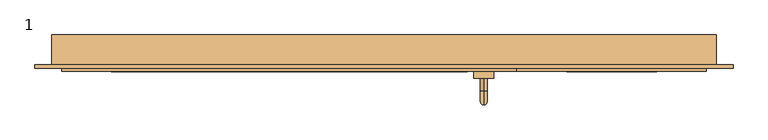
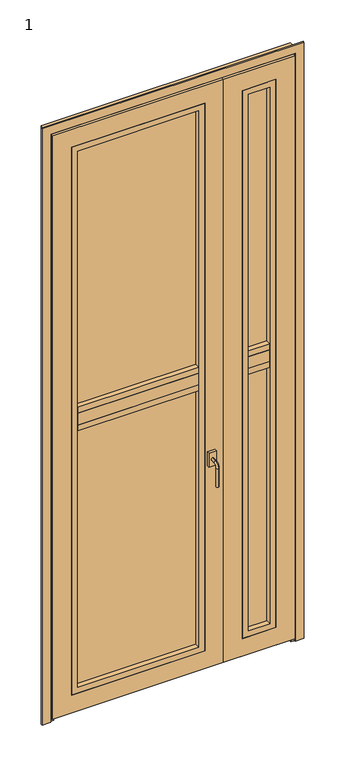
"""IFC4 building model written with IfcOpenShell, lengths in millimetres: door geometry, 1."""

from ifc_helpers import new_model, si_unit, point, frame, origin, place, context, project, spatial, polyline, circle_curve, ellipse_curve, trimmed, outline, extrude, faceted_brep, source, transform, mapped, element, save
from ifc_brep_helpers import plane_surface, cylinder_surface, revolved_surface, advanced_brep


def door_1_bcb2ce5e(model_context):
    return source(origin(), model_context, "Body", "SolidModel", [
        advanced_brep(
        [(-50.0, -169.0, 905.0), (-50.0, -169.0, 895.0), (-50.0, -188.0, 895.0), (-50.0, -188.0, 905.0), (-50.0, -199.0, 884.0), (-50.0, -209.0, 884.0), (-50.0, -209.0, 805.0), (-50.0, -199.0, 805.0), (-65.0, -169.0, 930.0), (-65.0, -169.0, 870.0), (-35.0, -169.0, 870.0), (-35.0, -169.0, 930.0), (-65.0, -159.0, 930.0), (-35.0, -159.0, 930.0), (-35.0, -159.0, 870.0), (-65.0, -159.0, 870.0)],
        [
            (0, 1, circle_curve(frame((-50.0, -169.0, 900.0), z_axis=(0.0, -1.0, 0.0), x_axis=(0.0, 0.0, -1.0)), 5.0)),
            (1, 2),
            (2, 3, circle_curve(frame((-50.0, -188.0, 900.0), z_axis=(0.0, 1.0, 0.0), x_axis=(0.0, 0.0, -1.0)), 5.0)),
            (3, 0),
            (3, 2, circle_curve(frame((-50.0, -188.0, 900.0), z_axis=(0.0, 1.0, 0.0), x_axis=(0.0, 0.0, -1.0)), 5.0)),
            (1, 0, circle_curve(frame((-50.0, -169.0, 900.0), z_axis=(0.0, -1.0, 0.0), x_axis=(0.0, 0.0, -1.0)), 5.0)),
            (2, 4, circle_curve(frame((-50.0, -188.0, 884.0), z_axis=(1.0, 0.0, 0.0), x_axis=(0.0, 0.0, 1.0)), 11.0)),
            (4, 5, circle_curve(frame((-50.0, -204.0, 884.0), z_axis=(0.0, 0.0, 1.0), x_axis=(0.0, 1.0, 0.0)), 5.0)),
            (5, 3, circle_curve(frame((-50.0, -188.0, 884.0), z_axis=(-1.0, 0.0, 0.0), x_axis=(0.0, 0.0, 1.0)), 21.0)),
            (5, 4, circle_curve(frame((-50.0, -204.0, 884.0), z_axis=(0.0, 0.0, 1.0), x_axis=(0.0, 1.0, 0.0)), 5.0)),
            (6, 7, circle_curve(frame((-50.0, -204.0, 805.0), z_axis=(0.0, 0.0, -1.0), x_axis=(0.0, 1.0, 0.0)), 5.0)),
            (7, 6, circle_curve(frame((-50.0, -204.0, 805.0), z_axis=(0.0, 0.0, -1.0), x_axis=(0.0, 1.0, 0.0)), 5.0)),
            (4, 7),
            (6, 5),
            (8, 9),
            (9, 10),
            (10, 11),
            (11, 8),
            (12, 13),
            (13, 14),
            (14, 15),
            (15, 12),
            (11, 13),
            (12, 8),
            (10, 14),
            (9, 15),
        ],
        [
            cylinder_surface(frame((-50.0, -169.0, 900.0), z_axis=(0.0, 1.0, 0.0), x_axis=(0.0, 0.0, -1.0)), 5.0),
            revolved_surface(trimmed(ellipse_curve(frame((-50.0, -188.0, 900.0), z_axis=(0.0, -1.0, 0.0), x_axis=(0.0, 0.0, -1.0)), 5.0, 5.0), [point((-50.0, -188.0, 905.0))], [point((-50.0, -188.0, 895.0))], True, "CARTESIAN"), (-50.0, -188.0, 884.0), (-1.0, 0.0, 0.0)),
            revolved_surface(trimmed(ellipse_curve(frame((-50.0, -188.0, 900.0), z_axis=(0.0, -1.0, 0.0), x_axis=(0.0, 0.0, -1.0)), 5.0, 5.0), [point((-50.0, -188.0, 895.0))], [point((-50.0, -188.0, 905.0))], True, "CARTESIAN"), (-50.0, -188.0, 884.0), (-1.0, 0.0, 0.0)),
            plane_surface(frame((-50.0, -204.0, 805.0), z_axis=(0.0, 0.0, -1.0), x_axis=(-1.0, 0.0, 0.0))),
            cylinder_surface(frame((-50.0, -204.0, 884.0), z_axis=(0.0, 0.0, 1.0), x_axis=(0.0, 1.0, 0.0)), 5.0),
            plane_surface(frame((-35.0, -169.0, 930.0), z_axis=(0.0, -1.0, 0.0), x_axis=(1.0, 0.0, 0.0))),
            plane_surface(frame((-35.0, -159.0, 930.0), z_axis=(0.0, 1.0, 0.0), x_axis=(-1.0, 0.0, 0.0))),
            plane_surface(frame((-65.0, -169.0, 930.0), z_axis=(0.0, 0.0, 1.0), x_axis=(0.0, 1.0, 0.0))),
            plane_surface(frame((-35.0, -169.0, 930.0), z_axis=(1.0, 0.0, 0.0), x_axis=(0.0, 1.0, 0.0))),
            plane_surface(frame((-35.0, -169.0, 870.0), z_axis=(0.0, 0.0, -1.0), x_axis=(0.0, 1.0, 0.0))),
            plane_surface(frame((-65.0, -169.0, 870.0), z_axis=(-1.0, 0.0, 0.0), x_axis=(0.0, 1.0, 0.0))),
        ],
        [
            (0, [[1, 2, 3, 4]]),
            (0, [[5, -2, 6, -4]]),
            (1, [[7, 8, 9, -3]]),
            (2, [[-9, 10, -7, -5]]),
            (3, [[11, 12]]),
            (4, [[13, -11, 14, -8]]),
            (4, [[-14, -12, -13, -10]]),
            (5, [[15, 16, 17, 18], [-6, -1]]),
            (6, [[19, 20, 21, 22]]),
            (7, [[23, -19, 24, -18]]),
            (8, [[25, -20, -23, -17]]),
            (9, [[26, -21, -25, -16]]),
            (10, [[-24, -22, -26, -15]]),
        ],
    ),
        extrude(outline(polyline([(-149.0, 22.0), (-124.0, 22.0), (-124.0, 7.0), (-129.0, 7.0), (-129.0, 12.0), (-144.0, 12.0), (-144.0, 7.0), (-149.0, 7.0), (-149.0, 22.0)])), frame((0.0, 0.0, 0.0), z_axis=(1.0, 0.0, 0.0), x_axis=(0.0, 1.0, 0.0)), (0.0, 0.0, 1.0), 285.0),
        extrude(outline(polyline([(-149.0, 22.0), (-124.0, 22.0), (-124.0, 7.0), (-129.0, 7.0), (-129.0, 12.0), (-144.0, 12.0), (-144.0, 7.0), (-149.0, 7.0), (-149.0, 22.0)])), frame((-685.0, 0.0, 0.0), z_axis=(1.0, 0.0, 0.0), x_axis=(0.0, 1.0, 0.0)), (0.0, 0.0, 1.0), 685.0),
        faceted_brep([(0.0, -114.0, 40.0), (0.0, -114.0, 15.0), (0.0, -124.0, 15.0), (0.0, -124.0, 40.0), (285.0, -114.0, 40.0), (285.0, -124.0, 40.0), (285.0, -124.0, 15.0), (285.0, -114.0, 15.0), (25.0, -124.0, 40.0), (25.0, -114.0, 40.0), (260.0, -114.0, 40.0), (260.0, -124.0, 40.0), (25.0, -114.0, 2460.0), (260.0, -114.0, 2460.0), (100.0, -114.0, 2385.0), (100.0, -114.0, 115.0), (185.0, -114.0, 115.0), (185.0, -114.0, 2385.0), (285.0, -149.0, 2485.0), (0.0, -149.0, 2485.0), (0.0, -159.0, 2485.0), (285.0, -159.0, 2485.0), (210.0, -159.0, 2410.0), (75.0, -159.0, 2410.0), (75.0, -124.0, 2410.0), (210.0, -124.0, 2410.0), (185.0, -124.0, 2385.0), (100.0, -124.0, 2385.0), (25.0, -149.0, 2460.0), (260.0, -149.0, 2460.0), (0.0, -149.0, 15.0), (0.0, -159.0, 15.0), (75.0, -159.0, 90.0), (75.0, -124.0, 90.0), (100.0, -124.0, 115.0), (25.0, -149.0, 40.0), (285.0, -149.0, 15.0), (285.0, -159.0, 15.0), (210.0, -159.0, 90.0), (210.0, -124.0, 90.0), (185.0, -124.0, 115.0), (260.0, -149.0, 40.0)], [[[0, 1, 2, 3]], [[4, 5, 6, 7]], [[3, 8, 9, 0]], [[4, 10, 11, 5]], [[2, 6, 5, 11, 8, 3]], [[1, 7, 6, 2]], [[0, 9, 12, 13, 10, 4, 7, 1], [14, 15, 16, 17]], [[18, 19, 20, 21]], [[22, 23, 24, 25]], [[26, 27, 14, 17]], [[13, 12, 28, 29]], [[19, 30, 31, 20]], [[23, 32, 33, 24]], [[27, 34, 15, 14]], [[12, 9, 8, 35, 28]], [[30, 36, 37, 31]], [[32, 38, 39, 33]], [[34, 40, 16, 15]], [[35, 8, 11, 41]], [[21, 37, 36, 18]], [[20, 31, 37, 21], [22, 38, 32, 23]], [[25, 39, 38, 22]], [[24, 33, 39, 25], [26, 40, 34, 27]], [[17, 16, 40, 26]], [[29, 41, 11, 10, 13]], [[18, 36, 30, 19], [28, 35, 41, 29]]]),
        faceted_brep([(-685.0, -159.0, 2485.0), (0.0, -159.0, 2485.0), (0.0, -149.0, 2485.0), (-685.0, -149.0, 2485.0), (-610.0, -124.0, 2410.0), (-75.0, -124.0, 2410.0), (-75.0, -159.0, 2410.0), (-610.0, -159.0, 2410.0), (-585.0, -114.0, 2385.0), (-100.0, -114.0, 2385.0), (-100.0, -124.0, 2385.0), (-585.0, -124.0, 2385.0), (-660.0, -149.0, 2460.0), (-25.0, -149.0, 2460.0), (-25.0, -114.0, 2460.0), (-660.0, -114.0, 2460.0), (0.0, -159.0, 15.0), (0.0, -149.0, 15.0), (-75.0, -124.0, 90.0), (-75.0, -159.0, 90.0), (-100.0, -114.0, 115.0), (-100.0, -124.0, 115.0), (-25.0, -149.0, 40.0), (-25.0, -124.0, 40.0), (-25.0, -114.0, 40.0), (-685.0, -159.0, 15.0), (-685.0, -149.0, 15.0), (-610.0, -124.0, 90.0), (-610.0, -159.0, 90.0), (-585.0, -114.0, 115.0), (-585.0, -124.0, 115.0), (-660.0, -149.0, 40.0), (-660.0, -124.0, 40.0), (0.0, -114.0, 40.0), (0.0, -114.0, 15.0), (-685.0, -114.0, 15.0), (-685.0, -114.0, 40.0), (-660.0, -114.0, 40.0), (0.0, -124.0, 40.0), (0.0, -124.0, 15.0), (-685.0, -124.0, 15.0), (-685.0, -124.0, 40.0)], [[[0, 1, 2, 3]], [[4, 5, 6, 7]], [[8, 9, 10, 11]], [[12, 13, 14, 15]], [[1, 16, 17, 2]], [[5, 18, 19, 6]], [[9, 20, 21, 10]], [[13, 22, 23, 24, 14]], [[16, 25, 26, 17]], [[18, 27, 28, 19]], [[20, 29, 30, 21]], [[31, 32, 23, 22]], [[3, 26, 25, 0]], [[0, 25, 16, 1], [6, 19, 28, 7]], [[7, 28, 27, 4]], [[4, 27, 18, 5], [10, 21, 30, 11]], [[11, 30, 29, 8]], [[14, 24, 33, 34, 35, 36, 37, 15], [8, 29, 20, 9]], [[15, 37, 32, 31, 12]], [[2, 17, 26, 3], [12, 31, 22, 13]], [[33, 38, 39, 34]], [[36, 35, 40, 41]], [[33, 24, 23, 38]], [[41, 32, 37, 36]], [[38, 23, 32, 41, 40, 39]], [[39, 40, 35, 34]]]),
        extrude(outline(polyline([(85.0, -124.0), (200.0, -124.0), (200.0, -138.0), (85.0, -138.0), (85.0, -124.0)])), frame((0.0, 0.0, 1285.0), z_axis=(0.0, 0.0, 1.0), x_axis=(1.0, 0.0, 0.0)), (0.0, 0.0, 1.0), 1115.0),
        extrude(outline(polyline([(85.0, -124.0), (200.0, -124.0), (200.0, -138.0), (85.0, -138.0), (85.0, -124.0)])), frame((0.0, 0.0, 100.0), z_axis=(0.0, 0.0, 1.0), x_axis=(1.0, 0.0, 0.0)), (0.0, 0.0, 1.0), 1115.0),
        extrude(outline(polyline([(-600.0, -124.0), (-85.0, -124.0), (-85.0, -138.0), (-600.0, -138.0), (-600.0, -124.0)])), frame((0.0, 0.0, 1285.0), z_axis=(0.0, 0.0, 1.0), x_axis=(1.0, 0.0, 0.0)), (0.0, 0.0, 1.0), 1115.0),
        extrude(outline(polyline([(-600.0, -124.0), (-85.0, -124.0), (-85.0, -138.0), (-600.0, -138.0), (-600.0, -124.0)])), frame((0.0, 0.0, 100.0), z_axis=(0.0, 0.0, 1.0), x_axis=(1.0, 0.0, 0.0)), (0.0, 0.0, 1.0), 1115.0),
        extrude(outline(polyline([(-124.0, 1225.0), (-159.0, 1225.0), (-159.0, 1275.0), (-124.0, 1275.0), (-124.0, 1300.0), (-114.0, 1300.0), (-114.0, 1200.0), (-124.0, 1200.0), (-124.0, 1225.0)])), frame((100.0, 0.0, 0.0), z_axis=(1.0, 0.0, 0.0), x_axis=(0.0, 1.0, 0.0)), (0.0, 0.0, 1.0), 85.0),
        extrude(outline(polyline([(-124.0, 1275.0), (-124.0, 1300.0), (-114.0, 1300.0), (-114.0, 1200.0), (-124.0, 1200.0), (-124.0, 1225.0), (-159.0, 1225.0), (-159.0, 1275.0), (-124.0, 1275.0)])), frame((-585.0, 0.0, 0.0), z_axis=(1.0, 0.0, 0.0), x_axis=(0.0, 1.0, 0.0)), (0.0, 0.0, 1.0), 485.0),
        extrude(outline(polyline([(-585.0, -138.0), (-100.0, -138.0), (-100.0, -159.0), (-585.0, -159.0), (-585.0, -138.0)])), frame((0.0, 0.0, 1275.0), z_axis=(0.0, 0.0, 1.0), x_axis=(1.0, 0.0, 0.0)), (0.0, 0.0, 1.0), 25.0),
        extrude(outline(polyline([(-585.0, -138.0), (-100.0, -138.0), (-100.0, -159.0), (-585.0, -159.0), (-585.0, -138.0)])), frame((0.0, 0.0, 1200.0), z_axis=(0.0, 0.0, 1.0), x_axis=(1.0, 0.0, 0.0)), (0.0, 0.0, 1.0), 25.0),
        extrude(outline(polyline([(100.0, -138.0), (185.0, -138.0), (185.0, -159.0), (100.0, -159.0), (100.0, -138.0)])), frame((0.0, 0.0, 1275.0), z_axis=(0.0, 0.0, 1.0), x_axis=(1.0, 0.0, 0.0)), (0.0, 0.0, 1.0), 25.0),
        extrude(outline(polyline([(100.0, -138.0), (185.0, -138.0), (185.0, -159.0), (100.0, -159.0), (100.0, -138.0)])), frame((0.0, 0.0, 1200.0), z_axis=(0.0, 0.0, 1.0), x_axis=(1.0, 0.0, 0.0)), (0.0, 0.0, 1.0), 25.0),
        extrude(outline(polyline([(2410.0, 210.0), (2410.0, 75.0), (90.0, 75.0), (90.0, 210.0), (2410.0, 210.0)]), holes=[polyline([(2385.0, 100.0), (2385.0, 185.0), (115.0, 185.0), (115.0, 100.0), (2385.0, 100.0)])]), frame((0.0, -159.0, 0.0), z_axis=(0.0, 1.0, 0.0), x_axis=(0.0, 0.0, 1.0)), (0.0, 0.0, 1.0), 21.0),
        faceted_brep([(25.0, -149.0, 2485.0), (25.0, -114.0, 2485.0), (-10.0, -114.0, 2485.0), (-10.0, -149.0, 2485.0), (-10.0, -149.0, 15.0), (25.0, -149.0, 15.0), (-10.0, -114.0, 2450.0), (-10.0, -114.0, 15.0), (25.0, -114.0, 2450.0), (25.0, -114.0, 15.0), (35.0, -104.0, 2450.0), (-35.0, -104.0, 2450.0), (-35.0, -114.0, 2450.0), (35.0, -114.0, 2450.0), (35.0, -104.0, 15.0), (35.0, -114.0, 15.0), (-35.0, -114.0, 15.0), (-35.0, -104.0, 15.0)], [[[0, 1, 2, 3]], [[3, 4, 5, 0]], [[2, 6, 7, 4, 3]], [[1, 8, 6, 2]], [[5, 9, 8, 1, 0]], [[10, 11, 12, 6, 8, 13]], [[14, 15, 9, 5, 4, 7, 16, 17]], [[13, 15, 14, 10]], [[8, 9, 15, 13]], [[12, 16, 7, 6]], [[11, 17, 16, 12]], [[10, 14, 17, 11]]]),
        extrude(outline(polyline([(2410.0, -75.0), (2410.0, -610.0), (90.0, -610.0), (90.0, -75.0), (2410.0, -75.0)]), holes=[polyline([(2385.0, -585.0), (2385.0, -100.0), (115.0, -100.0), (115.0, -585.0), (2385.0, -585.0)])]), frame((0.0, -159.0, 0.0), z_axis=(0.0, 1.0, 0.0), x_axis=(0.0, 0.0, 1.0)), (0.0, 0.0, 1.0), 21.0),
        faceted_brep([(-700.0, -104.0, 0.0), (-650.0, -104.0, 0.0), (-650.0, -114.0, 0.0), (-675.0, -114.0, 0.0), (-675.0, -149.0, 0.0), (-700.0, -149.0, 0.0), (-700.0, -149.0, 2500.0), (300.0, -149.0, 2500.0), (300.0, -104.0, 2500.0), (-700.0, -104.0, 2500.0), (-675.0, -114.0, 2475.0), (275.0, -114.0, 2475.0), (275.0, -149.0, 2475.0), (-675.0, -149.0, 2475.0), (-650.0, -104.0, 2450.0), (250.0, -104.0, 2450.0), (250.0, -114.0, 2450.0), (-650.0, -114.0, 2450.0), (300.0, -149.0, 0.0), (300.0, -104.0, 0.0), (275.0, -114.0, 0.0), (275.0, -149.0, 0.0), (250.0, -104.0, 0.0), (250.0, -114.0, 0.0)], [[[0, 1, 2, 3, 4, 5]], [[6, 7, 8, 9]], [[10, 11, 12, 13]], [[14, 15, 16, 17]], [[7, 18, 19, 8]], [[11, 20, 21, 12]], [[15, 22, 23, 16]], [[19, 18, 21, 20, 23, 22]], [[5, 6, 9, 0]], [[4, 13, 12, 21, 18, 7, 6, 5]], [[3, 10, 13, 4]], [[2, 17, 16, 23, 20, 11, 10, 3]], [[1, 14, 17, 2]], [[0, 9, 8, 19, 22, 15, 14, 1]]]),
        extrude(outline(polyline([(0.0, -690.0), (2490.0, -690.0), (2490.0, 290.0), (0.0, 290.0), (0.0, 325.0), (2525.0, 325.0), (2525.0, -725.0), (0.0, -725.0), (0.0, -690.0)])), frame((0.0, -154.0, 0.0), z_axis=(0.0, 1.0, 0.0), x_axis=(0.0, 0.0, 1.0)), (0.0, 0.0, 1.0), 5.0),
    ])


if __name__ == "__main__":
    model = new_model("IFC4")
    model_context = context("Model", 3, world=origin())
    ifc_project = project(units=[si_unit("LENGTHUNIT", "METRE", prefix="MILLI")], contexts=[model_context])
    site = spatial("IfcSite", under=ifc_project)
    building = spatial("IfcBuilding", under=site)
    placement = place(None, origin())
    door_1_shape = door_1_bcb2ce5e(model_context)
    element("IfcDoor", 1, ObjectType="1", at=placement, inside=building, context=model_context, shape_type="MappedRepresentation", body=[
        mapped(door_1_shape, transform((0.0, 0.0, 0.0), x_axis=(1.0, 0.0, 0.0), y_axis=(0.0, 1.0, 0.0), z_axis=(0.0, 0.0, 1.0))),
    ])
    save(model, "model.ifc")
